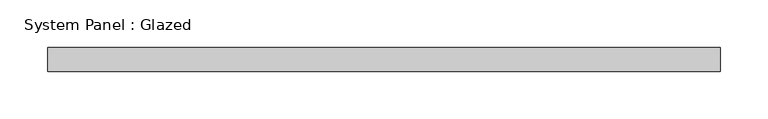
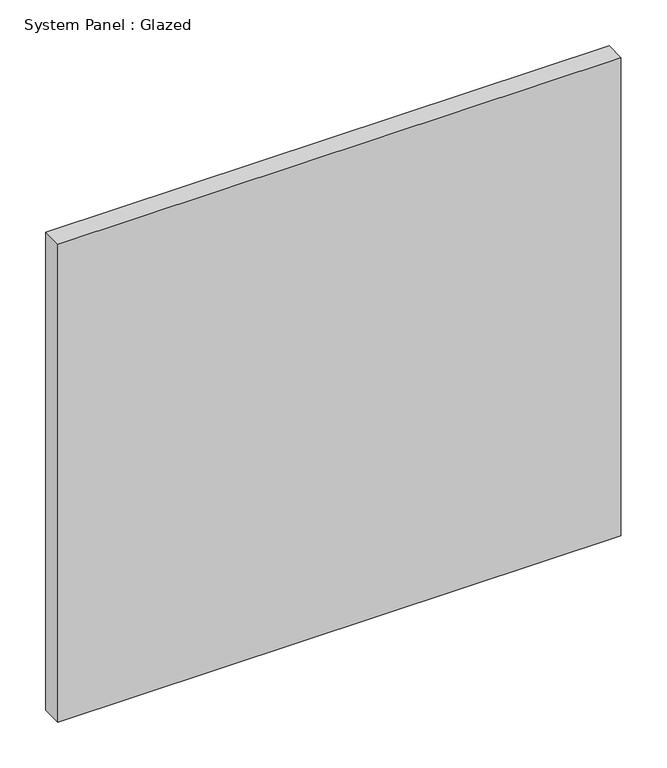
"""IFC4 building model written with IfcOpenShell, lengths in millimetres: plate geometry, System Panel : Glazed."""

from ifc_helpers import new_model, si_unit, origin, origin_with_axes, place, context, project, spatial, polyline, outline, extrude, source, transform, mapped, element, save


def system_panel_glazed_a96026b7(model_context):
    return source(origin(), model_context, "Body", "SweptSolid", [
        extrude(outline(polyline([(353.7982308, 19.05), (-353.7982308, 19.05), (-353.7982308, 44.45), (353.7982308, 44.45), (353.7982308, 19.05)])), origin_with_axes(), (0.0, 0.0, 1.0), 635.0),
    ])


if __name__ == "__main__":
    model = new_model("IFC4")
    model_context = context("Model", 3, world=origin())
    ifc_project = project(units=[si_unit("LENGTHUNIT", "METRE", prefix="MILLI")], contexts=[model_context])
    site = spatial("IfcSite", under=ifc_project)
    building = spatial("IfcBuilding", under=site)
    placement = place(None, origin())
    system_panel_glazed_shape = system_panel_glazed_a96026b7(model_context)
    element("IfcPlate", 1, ObjectType="System Panel : Glazed", at=placement, inside=building, context=model_context, shape_type="MappedRepresentation", body=[
        mapped(system_panel_glazed_shape, transform((0.0, 0.0, 0.0), x_axis=(1.0, 0.0, 0.0), y_axis=(0.0, 1.0, 0.0), z_axis=(0.0, 0.0, 1.0))),
    ])
    save(model, "model.ifc")
